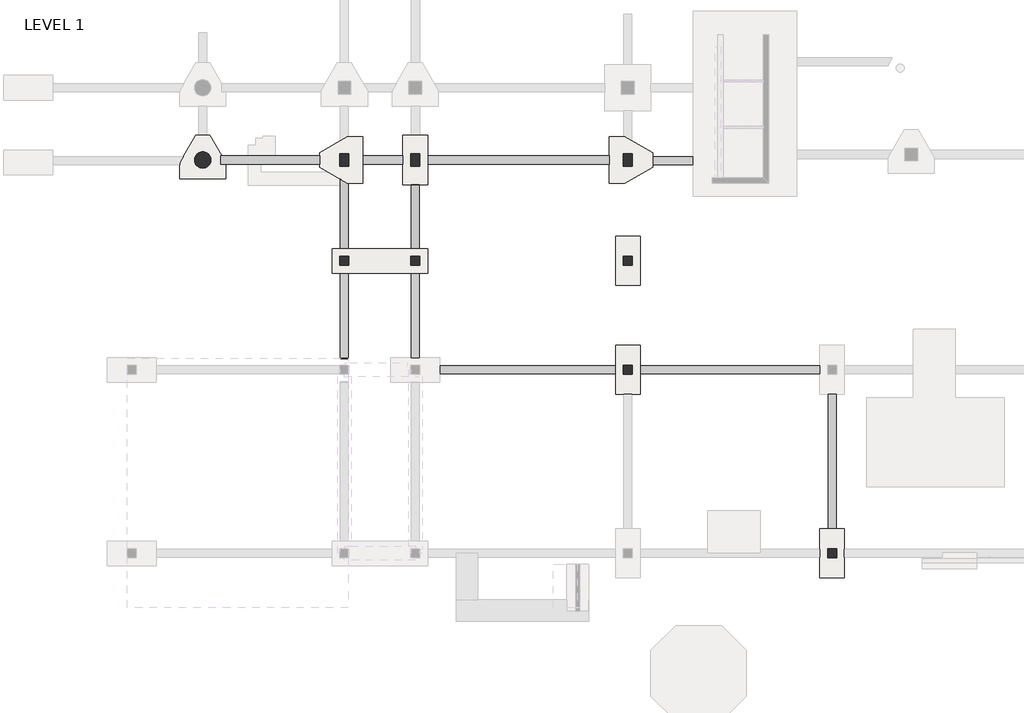
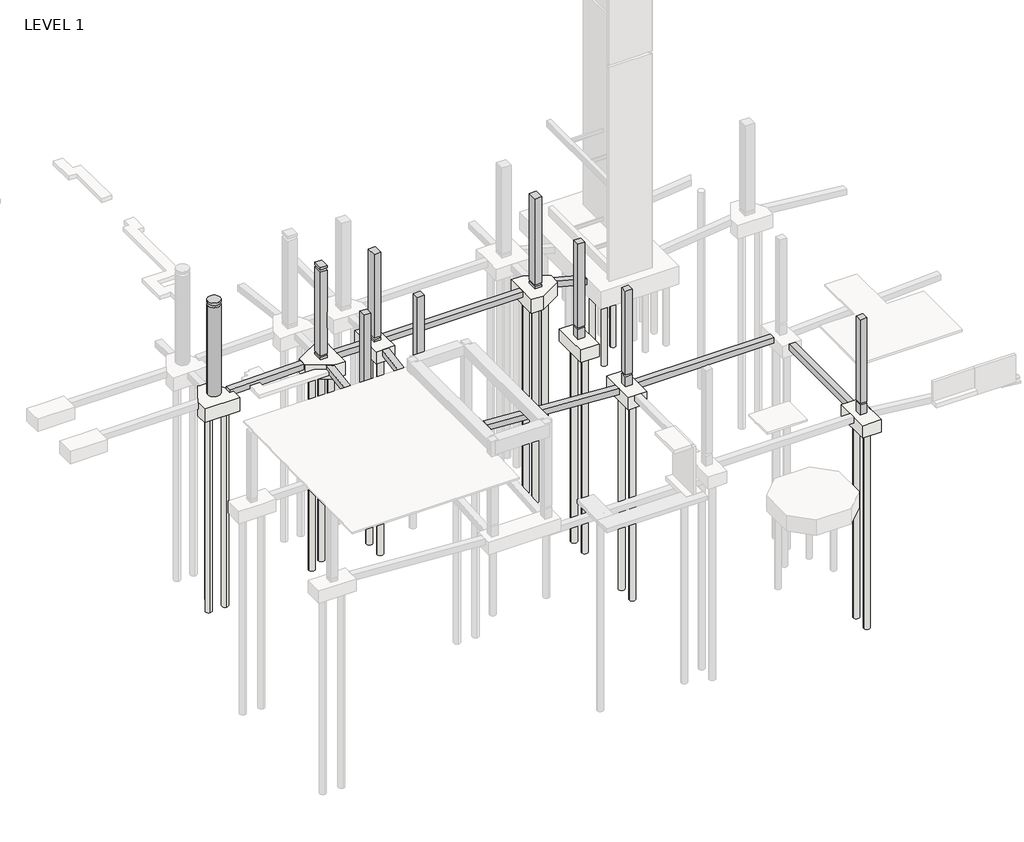
# One storey, part 6 of 20: 31 slabs, 11 beams, 9 columns.
"""IFC4 building model written with IfcOpenShell, lengths in millimetres."""

from ifc_helpers import new_model, si_unit, point, frame, frame_2d, origin, origin_with_axes, place, context, project, spatial, polyline, circle_curve, trimmed, segment, composite_curve, outline, extrude, faceted_brep, element, save
from ifc_brep_helpers import plane_surface, revolved_surface, advanced_brep

model = new_model("IFC4")

# Units and contexts
model_context = context("Model", 3, world=origin())
ifc_project = project(units=[si_unit("LENGTHUNIT", "METRE", prefix="MILLI")], contexts=[model_context])

# Site, building, storey
site = spatial("IfcSite", under=ifc_project)
building = spatial("IfcBuilding", under=site)
storey = spatial("IfcBuildingStorey", under=building, Name="LEVEL 1", Elevation=0.0)

# Beams
placement = place(None, origin())
element("IfcBeam", 1, ObjectType="Concrete-Rectangular Beam", at=placement, inside=storey, context=model_context, shape_type="SweptSolid", body=[
    extrude(outline(polyline([(-305.2858019, 14208.6389942), (-763.3812536, 14208.6389942), (-1378.8984508, 24038.4389942), (-920.8029991, 24038.4389942), (-305.2858019, 14208.6389942)])), frame((0.0, -45445.9107149, 0.0), z_axis=(0.0, 1.0, 0.0), x_axis=(0.0, 0.0, 1.0)), (0.0, 0.0, 1.0), 457.2),
])
element("IfcBeam", 2, ObjectType="Concrete-Rectangular Beam", at=placement, inside=storey, context=model_context, shape_type="SweptSolid", body=[
    extrude(outline(polyline([(25410.0389942, -45445.9107149), (25410.0389942, -44988.7107149), (35468.4389942, -44988.7107149), (35468.4389942, -45445.9107149), (25410.0389942, -45445.9107149)])), frame((0.0, 0.0, -1371.6), z_axis=(0.0, 0.0, 1.0), x_axis=(1.0, 0.0, 0.0)), (0.0, 0.0, 1.0), 457.2),
])
element("IfcBeam", 3, ObjectType="Concrete-Rectangular Beam", at=placement, inside=storey, context=model_context, shape_type="SweptSolid", body=[
    extrude(outline(polyline([(36382.8389942, -54107.3107149), (35925.6389942, -54107.3107149), (35925.6389942, -46588.9107149), (36382.8389942, -46588.9107149), (36382.8389942, -54107.3107149)])), frame((0.0, 0.0, -1371.6), z_axis=(0.0, 0.0, 1.0), x_axis=(1.0, 0.0, 0.0)), (0.0, 0.0, 1.0), 457.2),
])
element("IfcBeam", 4, ObjectType="Concrete-Rectangular Beam", at=placement, inside=storey, context=model_context, shape_type="Brep", body=[
    faceted_brep([(1966.7711827, -33711.1107149, -419.1), (1966.7711827, -33253.9107149, -419.1), (1970.7041843, -33253.9107149, -609.6), (1970.7041843, -33711.1107149, -609.6), (7483.9889942, -33711.1107149, -305.1933002), (7483.9889942, -33253.9107149, -305.1933002), (2245.2389942, -33711.1107149, -609.6), (2245.2389942, -33711.1107149, -870.6482724), (3489.8389942, -33711.1107149, -844.9526621), (3489.8389942, -33711.1107149, -609.6), (4201.0389942, -33711.1107149, -609.6), (4201.0389942, -33711.1107149, -830.2694562), (7483.9889942, -33711.1107149, -762.4907292), (7483.9889942, -33253.9107149, -762.4907292), (4201.0389942, -33368.1810305, -830.2694562), (5013.8389942, -33368.1810305, -813.4886495), (5013.8389942, -33253.9107149, -813.4886495), (5013.8389942, -33253.9107149, -609.6), (3489.8389942, -33253.9107149, -609.6), (3489.8389942, -33253.9107149, -844.9526621), (2016.0620522, -33253.9107149, -875.3797856), (2016.0620522, -33253.9107149, -609.6), (2245.2389942, -33651.3894738, -609.6), (2245.2389942, -33651.3894738, -870.6482724), (5013.8389942, -33368.1810305, -609.6), (4201.0389942, -33368.1810305, -609.6)], [[[0, 1, 2, 3]], [[1, 0, 4, 5]], [[6, 7, 8, 9, 10, 11, 12, 4, 0, 3]], [[13, 12, 11, 14, 15, 16]], [[5, 13, 16, 17, 18, 19, 20, 21, 2, 1]], [[21, 22, 6, 3, 2]], [[22, 23, 7, 6]], [[23, 22, 21, 20]], [[24, 25, 10, 9, 18, 17]], [[18, 9, 8, 19]], [[10, 25, 14, 11]], [[5, 4, 12, 13]], [[7, 23, 20, 19, 8]], [[24, 17, 16, 15]], [[25, 24, 15, 14]]]),
])
element("IfcBeam", 5, ObjectType="Concrete-Rectangular Beam", at=placement, inside=storey, context=model_context, shape_type="SweptSolid", body=[
    extrude(outline(polyline([(12151.2389942, -33253.9107149), (12151.2389942, -33711.1107149), (9912.8639942, -33711.1107149), (9912.8639942, -33253.9107149), (12151.2389942, -33253.9107149)])), frame((0.0, 0.0, -762.0), z_axis=(0.0, 0.0, 1.0), x_axis=(1.0, 0.0, 0.0)), (0.0, 0.0, 1.0), 457.2),
])
element("IfcBeam", 6, ObjectType="Concrete-Rectangular Beam", at=placement, inside=storey, context=model_context, shape_type="SweptSolid", body=[
    extrude(outline(polyline([(-39807.1107149, -922.6621214), (-39807.1107149, -1383.7496331), (-44531.5107149, -766.3510408), (-44531.5107149, -305.2635291), (-39807.1107149, -922.6621214)])), frame((12608.4389942, 0.0, 0.0), z_axis=(1.0, 0.0, 0.0), x_axis=(0.0, 1.0, 0.0)), (0.0, 0.0, 1.0), 457.2),
])
element("IfcBeam", 7, ObjectType="Concrete-Rectangular Beam", at=placement, inside=storey, context=model_context, shape_type="Brep", body=[
    faceted_brep([(8646.0389942, -44533.2932991, -304.8), (8646.0389942, -44592.5378018, -758.1452646), (9103.2389942, -44592.5378018, -758.1452646), (9103.2389942, -44533.2932991, -304.8), (9103.2389942, -44531.5107149, -305.0329534), (9103.2389942, -39807.1107149, -922.4315457), (8646.0389942, -39807.1107149, -922.4315457), (8646.0389942, -44531.5107149, -305.0329534), (9103.2389942, -44531.5107149, -766.1204651), (9103.2389942, -39807.1107149, -1383.5190574), (8646.0389942, -44531.5107149, -766.1204651), (8646.0389942, -39807.1107149, -1383.5190574)], [[[0, 1, 2, 3]], [[0, 3, 4, 5, 6, 7]], [[3, 2, 8, 9, 5, 4]], [[2, 1, 10, 11, 9, 8]], [[1, 0, 7, 6, 11, 10]], [[6, 5, 9, 11]]]),
])
element("IfcBeam", 8, ObjectType="Concrete-Rectangular Beam", at=placement, inside=storey, context=model_context, shape_type="SweptSolid", body=[
    extrude(outline(polyline([(13522.8389942, -33711.1107149), (13522.8389942, -33253.9107149), (23686.0139942, -33253.9107149), (23686.0139942, -33711.1107149), (13522.8389942, -33711.1107149)])), frame((0.0, 0.0, -762.0), z_axis=(0.0, 0.0, 1.0), x_axis=(1.0, 0.0, 0.0)), (0.0, 0.0, 1.0), 457.2),
])
element("IfcBeam", 9, ObjectType="Concrete-Rectangular Beam", at=placement, inside=storey, context=model_context, shape_type="SweptSolid", body=[
    extrude(outline(polyline([(-308.8935641, 26114.8889942), (-782.3063616, 26114.8889942), (-1387.6924364, 28368.2208672), (-1337.003858, 28381.8389942), (-917.9383207, 28381.8389942), (-308.8935641, 26114.8889942)])), frame((0.0, -33754.6520275, 0.0), z_axis=(0.0, 1.0, 0.0), x_axis=(0.0, 0.0, 1.0)), (0.0, 0.0, 1.0), 457.2),
])
element("IfcBeam", 10, ObjectType="Concrete-Rectangular Beam", at=placement, inside=storey, context=model_context, shape_type="SweptSolid", body=[
    extrude(outline(polyline([(-34854.1107149, -337.992433), (-34854.1107149, -767.7222936), (-38435.5107149, -1383.2160567), (-38435.5107149, -919.313414), (-34859.8151142, -304.8), (-34854.1107149, -337.992433)])), frame((12608.4389942, 0.0, 0.0), z_axis=(1.0, 0.0, 0.0), x_axis=(0.0, 1.0, 0.0)), (0.0, 0.0, 1.0), 457.2),
])
element("IfcBeam", 11, ObjectType="Concrete-Rectangular Beam", at=placement, inside=storey, context=model_context, shape_type="Brep", body=[
    faceted_brep([(8646.0389942, -34548.7337729, -366.1329731), (8646.0389942, -34558.4708889, -304.8), (8662.9268047, -34558.4708889, -304.8), (9043.517753, -34777.9107149, -339.6378845), (8646.0389942, -38435.5107149, -920.3120891), (9103.2389942, -38435.5107149, -920.3120891), (9103.2389942, -34777.9107149, -339.6378845), (9103.2389942, -34777.9107149, -802.5637069), (9103.2389942, -38435.5107149, -1383.2379116), (8646.0389942, -34548.7337729, -766.1799748), (9043.517753, -34777.9107149, -802.5637069), (8646.0389942, -38435.5107149, -1383.2379116)], [[[0, 1, 2]], [[3, 2, 1, 4, 5, 6]], [[7, 6, 5, 8]], [[9, 10, 7, 8, 11]], [[0, 9, 11, 4, 1]], [[2, 3, 10, 9, 0]], [[3, 6, 7, 10]], [[5, 4, 11, 8]]]),
])

# Columns
element("IfcColumn", 12, ObjectType="UC Concrete-Rectangular-Column : 20 x 20", at=placement, inside=storey, context=model_context, shape_type="Brep", body=[
    faceted_brep([(36408.2389942, -55224.9107149, -914.4), (36408.2389942, -55732.9107149, -914.4), (35900.2389942, -55732.9107149, -914.4), (35900.2389942, -55224.9107149, -914.4), (36408.2389942, -55732.9107149, -127.0), (36408.2389942, -55224.9107149, -127.0), (35900.2389942, -55224.9107149, -127.0), (35900.2389942, -55732.9107149, -127.0)], [[[0, 1, 2, 3]], [[4, 5, 6, 7]], [[1, 0, 5, 4]], [[2, 1, 4, 7]], [[3, 2, 7, 6]], [[0, 3, 6, 5]]]),
    faceted_brep([(36408.2389942, -55224.9107149, 6553.2), (36408.2389942, -55478.9107149, 6553.2), (36408.2389942, -55732.9107149, 6553.2), (36408.2389942, -55732.9107149, 5181.6), (36408.2389942, -55732.9107149, 0.0), (36408.2389942, -55224.9107149, 0.0), (36408.2389942, -55224.9107149, 5181.6), (36408.2389942, -55224.9107149, 5537.2), (35900.2389942, -55732.9107149, 6553.2), (35900.2389942, -55732.9107149, 5181.6), (35900.2389942, -55732.9107149, 0.0), (35900.2389942, -55478.9107149, 6553.2), (35900.2389942, -55224.9107149, 6553.2), (35900.2389942, -55224.9107149, 5537.2), (35900.2389942, -55224.9107149, 5181.6), (35900.2389942, -55224.9107149, 0.0)], [[[0, 1, 2, 3, 4, 5, 6, 7]], [[2, 8, 9, 10, 4, 3]], [[8, 11, 12, 13, 14, 15, 10, 9]], [[12, 0, 7, 6, 5, 15, 14, 13]], [[2, 1, 0, 12, 11, 8]], [[5, 4, 10, 15]]]),
])
element("IfcColumn", 13, ObjectType="UC Concrete-Rectangular-Column : 20 x 20", at=placement, inside=storey, context=model_context, shape_type="Brep", body=[
    faceted_brep([(9128.6389942, -38867.3107149, -914.4), (9128.6389942, -39375.3107149, -914.4), (8620.6389942, -39375.3107149, -914.4), (8620.6389942, -38867.3107149, -914.4), (9128.6389942, -39375.3107149, -127.0), (9128.6389942, -38867.3107149, -127.0), (8620.6389942, -38867.3107149, -127.0), (8620.6389942, -39375.3107149, -127.0)], [[[0, 1, 2, 3]], [[4, 5, 6, 7]], [[1, 0, 5, 4]], [[2, 1, 4, 7]], [[3, 2, 7, 6]], [[0, 3, 6, 5]]]),
    faceted_brep([(9128.6389942, -38867.3107149, 6553.2), (9128.6389942, -39375.3107149, 6553.2), (9128.6389942, -39375.3107149, 0.0), (9128.6389942, -38867.3107149, 0.0), (8874.6389942, -39375.3107149, 6553.2), (8620.6389942, -39375.3107149, 6553.2), (8620.6389942, -39375.3107149, 6146.8), (8620.6389942, -39375.3107149, 0.0), (8620.6389942, -39121.3107149, 6553.2), (8620.6389942, -38867.3107149, 6553.2), (8620.6389942, -38867.3107149, 0.0)], [[[0, 1, 2, 3]], [[1, 4, 5, 6, 7, 2]], [[5, 8, 9, 10, 7, 6]], [[9, 0, 3, 10]], [[1, 0, 9, 8, 5, 4]], [[3, 2, 7, 10]]]),
])
element("IfcColumn", 14, ObjectType="UC Concrete-Rectangular-Column : 20 x 20", at=placement, inside=storey, context=model_context, shape_type="SweptSolid", body=[
    extrude(outline(polyline([(13091.0389942, -38867.3107149), (13091.0389942, -39375.3107149), (12583.0389942, -39375.3107149), (12583.0389942, -38867.3107149), (13091.0389942, -38867.3107149)])), frame((0.0, 0.0, -914.4), z_axis=(0.0, 0.0, 1.0), x_axis=(1.0, 0.0, 0.0)), (0.0, 0.0, 1.0), 787.4),
    extrude(outline(polyline([(13091.0389942, -38867.3107149), (13091.0389942, -39375.3107149), (12583.0389942, -39375.3107149), (12583.0389942, -38867.3107149), (13091.0389942, -38867.3107149)])), origin_with_axes(), (0.0, 0.0, 1.0), 6553.2),
])
element("IfcColumn", 15, ObjectType="UC Concrete-Rectangular-Column : 20 x 20", at=placement, inside=storey, context=model_context, shape_type="Brep", body=[
    faceted_brep([(24978.2389942, -44963.3107149, -914.4), (24978.2389942, -45471.3107149, -914.4), (24470.2389942, -45471.3107149, -914.4), (24470.2389942, -44963.3107149, -914.4), (24978.2389942, -45471.3107149, -127.0), (24978.2389942, -44963.3107149, -127.0), (24470.2389942, -44963.3107149, -127.0), (24470.2389942, -45471.3107149, -127.0)], [[[0, 1, 2, 3]], [[4, 5, 6, 7]], [[1, 0, 5, 4]], [[2, 1, 4, 7]], [[3, 2, 7, 6]], [[0, 3, 6, 5]]]),
    faceted_brep([(24978.2389942, -44963.3107149, 6553.2), (24978.2389942, -45217.3107149, 6553.2), (24978.2389942, -45471.3107149, 6553.2), (24978.2389942, -45471.3107149, 5842.0), (24978.2389942, -45471.3107149, 0.0), (24978.2389942, -44963.3107149, 0.0), (24724.2389942, -45471.3107149, 6553.2), (24470.2389942, -45471.3107149, 6553.2), (24470.2389942, -45471.3107149, 0.0), (24470.2389942, -44963.3107149, 6553.2), (24470.2389942, -44963.3107149, 0.0)], [[[0, 1, 2, 3, 4, 5]], [[2, 6, 7, 8, 4, 3]], [[7, 9, 10, 8]], [[9, 0, 5, 10]], [[2, 1, 0, 9, 7, 6]], [[5, 4, 8, 10]]]),
])
element("IfcColumn", 16, ObjectType="UC Concrete-Rectangular-Column : 20 x 20", at=placement, inside=storey, context=model_context, shape_type="SweptSolid", body=[
    extrude(outline(polyline([(24978.2389942, -38867.3107149), (24978.2389942, -39375.3107149), (24470.2389942, -39375.3107149), (24470.2389942, -38867.3107149), (24978.2389942, -38867.3107149)])), frame((0.0, 0.0, -914.4), z_axis=(0.0, 0.0, 1.0), x_axis=(1.0, 0.0, 0.0)), (0.0, 0.0, 1.0), 787.4),
    extrude(outline(polyline([(24978.2389942, -38867.3107149), (24978.2389942, -39375.3107149), (24470.2389942, -39375.3107149), (24470.2389942, -38867.3107149), (24978.2389942, -38867.3107149)])), origin_with_axes(), (0.0, 0.0, 1.0), 6553.2),
])
element("IfcColumn", 17, ObjectType="UC Concrete-Rectangular-Column : 20 x 28", at=placement, inside=storey, context=model_context, shape_type="Brep", body=[
    faceted_brep([(9128.6389942, -33126.9107149, -304.8), (9128.6389942, -33838.1107149, -304.8), (8620.6389942, -33838.1107149, -304.8), (8620.6389942, -33126.9107149, -304.8), (9128.6389942, -33838.1107149, -127.0), (9128.6389942, -33126.9107149, -127.0), (8620.6389942, -33126.9107149, -127.0), (8620.6389942, -33838.1107149, -127.0)], [[[0, 1, 2, 3]], [[4, 5, 6, 7]], [[1, 0, 5, 4]], [[2, 1, 4, 7]], [[3, 2, 7, 6]], [[0, 3, 6, 5]]]),
    faceted_brep([(9128.6389942, -33126.9107149, 6908.8), (9128.6389942, -33838.1107149, 6908.8), (9128.6389942, -33838.1107149, 6731.0), (9128.6389942, -33126.9107149, 6731.0), (8620.6389942, -33838.1107149, 6908.8), (8620.6389942, -33838.1107149, 6731.0), (8620.6389942, -33126.9107149, 6908.8), (8620.6389942, -33126.9107149, 6731.0)], [[[0, 1, 2, 3]], [[1, 4, 5, 2]], [[4, 6, 7, 5]], [[6, 0, 3, 7]], [[1, 0, 6, 4]], [[3, 2, 5, 7]]]),
    faceted_brep([(9128.6389942, -33126.9107149, 0.0), (9128.6389942, -33838.1107149, 0.0), (8620.6389942, -33838.1107149, 0.0), (8620.6389942, -33126.9107149, 0.0), (9128.6389942, -33838.1107149, 6553.2), (9128.6389942, -33126.9107149, 6553.2), (8620.6389942, -33126.9107149, 6553.2), (8620.6389942, -33838.1107149, 6553.2), (9128.6389942, -33126.9107149, 5994.4), (9128.6389942, -33838.1107149, 5994.4), (8620.6389942, -33838.1107149, 5994.4), (8620.6389942, -33126.9107149, 5994.4)], [[[0, 1, 2, 3]], [[4, 5, 6, 7]], [[1, 0, 8, 5, 4, 9]], [[2, 1, 9, 4, 7, 10]], [[3, 2, 10, 7, 6, 11]], [[0, 3, 11, 6, 5, 8]]]),
])
element("IfcColumn", 18, ObjectType="UC Concrete-Rectangular-Column : 20 x 28", at=placement, inside=storey, context=model_context, shape_type="Brep", body=[
    faceted_brep([(13091.0389942, -33126.9107149, -304.8), (13091.0389942, -33838.1107149, -304.8), (12583.0389942, -33838.1107149, -304.8), (12583.0389942, -33126.9107149, -304.8), (13091.0389942, -33838.1107149, -127.0), (13091.0389942, -33126.9107149, -127.0), (12583.0389942, -33126.9107149, -127.0), (12583.0389942, -33838.1107149, -127.0)], [[[0, 1, 2, 3]], [[4, 5, 6, 7]], [[1, 0, 5, 4]], [[2, 1, 4, 7]], [[3, 2, 7, 6]], [[0, 3, 6, 5]]]),
    faceted_brep([(13091.0389942, -33838.1107149, 0.0), (13091.0389942, -33126.9107149, 0.0), (13091.0389942, -33126.9107149, 5080.0), (13091.0389942, -33126.9107149, 6553.2), (13091.0389942, -33838.1107149, 6553.2), (13091.0389942, -33838.1107149, 5080.0), (12583.0389942, -33838.1107149, 0.0), (12583.0389942, -33838.1107149, 6553.2), (12583.0389942, -33838.1107149, 5080.0), (12583.0389942, -33126.9107149, 0.0), (12583.0389942, -33126.9107149, 6553.2), (12583.0389942, -33126.9107149, 5080.0)], [[[0, 1, 2, 3, 4, 5]], [[6, 0, 5, 4, 7, 8]], [[9, 6, 8, 7, 10, 11]], [[1, 9, 11, 10, 3, 2]], [[1, 0, 6, 9]], [[4, 3, 10, 7]]]),
])
element("IfcColumn", 19, ObjectType="UC Concrete-Rectangular-Column : 20 x 28", at=placement, inside=storey, context=model_context, shape_type="Brep", body=[
    faceted_brep([(24978.2389942, -33126.9107149, -304.8), (24978.2389942, -33838.1107149, -304.8), (24470.2389942, -33838.1107149, -304.8), (24470.2389942, -33126.9107149, -304.8), (24978.2389942, -33838.1107149, -127.0), (24978.2389942, -33126.9107149, -127.0), (24470.2389942, -33126.9107149, -127.0), (24470.2389942, -33838.1107149, -127.0)], [[[0, 1, 2, 3]], [[4, 5, 6, 7]], [[1, 0, 5, 4]], [[2, 1, 4, 7]], [[3, 2, 7, 6]], [[0, 3, 6, 5]]]),
    faceted_brep([(24978.2389942, -33126.9107149, 6731.0), (24978.2389942, -33838.1107149, 6731.0), (24978.2389942, -33838.1107149, 5080.0), (24978.2389942, -33838.1107149, 0.0), (24978.2389942, -33126.9107149, 0.0), (24978.2389942, -33126.9107149, 5080.0), (24470.2389942, -33838.1107149, 6731.0), (24470.2389942, -33838.1107149, 5080.0), (24470.2389942, -33838.1107149, 0.0), (24470.2389942, -33126.9107149, 6731.0), (24470.2389942, -33126.9107149, 5080.0), (24470.2389942, -33126.9107149, 0.0)], [[[0, 1, 2, 3, 4, 5]], [[1, 6, 7, 8, 3, 2]], [[6, 9, 10, 11, 8, 7]], [[9, 0, 5, 4, 11, 10]], [[1, 0, 9, 6]], [[4, 3, 8, 11]]]),
])
element("IfcColumn", 20, ObjectType="UC Concrete-Round-Column : 36\" DIA.", at=placement, inside=storey, context=model_context, shape_type="SweptSolid", body=[
    extrude(outline(composite_curve([segment(trimmed(circle_curve(frame_2d((949.8389942, -33482.5107149)), 457.2), [point((1407.0389942, -33482.5107149))], [point((492.6389942, -33482.5107149))], False, "CARTESIAN"), True, "CONTINUOUS"), segment(trimmed(circle_curve(frame_2d((949.8389942, -33482.5107149)), 457.2), [point((492.6389942, -33482.5107149))], [point((1407.0389942, -33482.5107149))], False, "CARTESIAN"), True, "CONTINUOUS")], self_intersect=False)), frame((0.0, 0.0, -406.4), z_axis=(0.0, 0.0, 1.0), x_axis=(1.0, 0.0, 0.0)), (0.0, 0.0, 1.0), 6959.6),
    extrude(outline(composite_curve([segment(trimmed(circle_curve(frame_2d((949.8389942, -33482.5107149)), 457.2), [point((1407.0389942, -33482.5107149))], [point((492.6389942, -33482.5107149))], False, "CARTESIAN"), True, "CONTINUOUS"), segment(trimmed(circle_curve(frame_2d((949.8389942, -33482.5107149)), 457.2), [point((492.6389942, -33482.5107149))], [point((1407.0389942, -33482.5107149))], False, "CARTESIAN"), True, "CONTINUOUS")], self_intersect=False)), frame((0.0, 0.0, 6731.0), z_axis=(0.0, 0.0, 1.0), x_axis=(1.0, 0.0, 0.0)), (0.0, 0.0, 1.0), 177.8),
])

# Slabs
element("IfcSlab", 21, ObjectType="16\" Diameter", at=placement, inside=storey, context=model_context, shape_type="SweptSolid", body=[
    extrude(outline(composite_curve([segment(trimmed(circle_curve(frame_2d((28991.4389942, -33382.4982149)), 203.2), [point((28788.2389942, -33382.4982149))], [point((29194.6389942, -33382.4982149))], False, "CARTESIAN"), True, "CONTINUOUS"), segment(trimmed(circle_curve(frame_2d((28991.4389942, -33382.4982149)), 203.2), [point((29194.6389942, -33382.4982149))], [point((28788.2389942, -33382.4982149))], False, "CARTESIAN"), True, "CONTINUOUS")], self_intersect=False)), frame((0.0, 0.0, -7162.8), z_axis=(0.0, 0.0, 1.0), x_axis=(1.0, 0.0, 0.0)), (0.0, 0.0, 1.0), 4876.8),
])
element("IfcSlab", 22, ObjectType="16\" Diameter", at=placement, inside=storey, context=model_context, shape_type="SweptSolid", body=[
    extrude(outline(composite_curve([segment(trimmed(circle_curve(frame_2d((30515.4389942, -33382.4982149)), 203.2), [point((30312.2389942, -33382.4982149))], [point((30718.6389942, -33382.4982149))], False, "CARTESIAN"), True, "CONTINUOUS"), segment(trimmed(circle_curve(frame_2d((30515.4389942, -33382.4982149)), 203.2), [point((30718.6389942, -33382.4982149))], [point((30312.2389942, -33382.4982149))], False, "CARTESIAN"), True, "CONTINUOUS")], self_intersect=False)), frame((0.0, 0.0, -7162.8), z_axis=(0.0, 0.0, 1.0), x_axis=(1.0, 0.0, 0.0)), (0.0, 0.0, 1.0), 4876.8),
])
element("IfcSlab", 23, ObjectType="16\" Diameter", at=placement, inside=storey, context=model_context, shape_type="SweptSolid", body=[
    extrude(outline(composite_curve([segment(trimmed(circle_curve(frame_2d((28991.4389942, -34906.4982149)), 203.2), [point((28788.2389942, -34906.4982149))], [point((29194.6389942, -34906.4982149))], False, "CARTESIAN"), True, "CONTINUOUS"), segment(trimmed(circle_curve(frame_2d((28991.4389942, -34906.4982149)), 203.2), [point((29194.6389942, -34906.4982149))], [point((28788.2389942, -34906.4982149))], False, "CARTESIAN"), True, "CONTINUOUS")], self_intersect=False)), frame((0.0, 0.0, -7162.8), z_axis=(0.0, 0.0, 1.0), x_axis=(1.0, 0.0, 0.0)), (0.0, 0.0, 1.0), 4876.8),
])
element("IfcSlab", 24, ObjectType="16\" Diameter", at=placement, inside=storey, context=model_context, shape_type="SweptSolid", body=[
    extrude(outline(composite_curve([segment(trimmed(circle_curve(frame_2d((30515.4389942, -34906.4982149)), 203.2), [point((30312.2389942, -34906.4982149))], [point((30718.6389942, -34906.4982149))], False, "CARTESIAN"), True, "CONTINUOUS"), segment(trimmed(circle_curve(frame_2d((30515.4389942, -34906.4982149)), 203.2), [point((30718.6389942, -34906.4982149))], [point((30312.2389942, -34906.4982149))], False, "CARTESIAN"), True, "CONTINUOUS")], self_intersect=False)), frame((0.0, 0.0, -7162.8), z_axis=(0.0, 0.0, 1.0), x_axis=(1.0, 0.0, 0.0)), (0.0, 0.0, 1.0), 4876.8),
])
element("IfcSlab", 25, ObjectType="18\" Diameter", at=placement, inside=storey, context=model_context, shape_type="SweptSolid", body=[
    extrude(outline(composite_curve([segment(trimmed(circle_curve(frame_2d((36154.2389942, -54793.1107149)), 228.6), [point((36382.8389942, -54793.1107149))], [point((35925.6389942, -54793.1107149))], False, "CARTESIAN"), True, "CONTINUOUS"), segment(trimmed(circle_curve(frame_2d((36154.2389942, -54793.1107149)), 228.6), [point((35925.6389942, -54793.1107149))], [point((36382.8389942, -54793.1107149))], False, "CARTESIAN"), True, "CONTINUOUS")], self_intersect=False)), frame((0.0, 0.0, -17348.2), z_axis=(0.0, 0.0, 1.0), x_axis=(1.0, 0.0, 0.0)), (0.0, 0.0, 1.0), 15392.4),
])
element("IfcSlab", 26, ObjectType="18\" Diameter", at=placement, inside=storey, context=model_context, shape_type="SweptSolid", body=[
    extrude(outline(composite_curve([segment(trimmed(circle_curve(frame_2d((36154.2389942, -56164.7107149)), 228.6), [point((36382.8389942, -56164.7107149))], [point((35925.6389942, -56164.7107149))], False, "CARTESIAN"), True, "CONTINUOUS"), segment(trimmed(circle_curve(frame_2d((36154.2389942, -56164.7107149)), 228.6), [point((35925.6389942, -56164.7107149))], [point((36382.8389942, -56164.7107149))], False, "CARTESIAN"), True, "CONTINUOUS")], self_intersect=False)), frame((0.0, 0.0, -17348.2), z_axis=(0.0, 0.0, 1.0), x_axis=(1.0, 0.0, 0.0)), (0.0, 0.0, 1.0), 15392.4),
])
element("IfcSlab", 27, ObjectType="18\" Diameter", at=placement, inside=storey, context=model_context, shape_type="SweptSolid", body=[
    extrude(outline(composite_curve([segment(trimmed(circle_curve(frame_2d((12837.0389942, -39121.3107149)), 228.6), [point((12837.0389942, -39349.9107149))], [point((12837.0389942, -38892.7107149))], False, "CARTESIAN"), True, "CONTINUOUS"), segment(trimmed(circle_curve(frame_2d((12837.0389942, -39121.3107149)), 228.6), [point((12837.0389942, -38892.7107149))], [point((12837.0389942, -39349.9107149))], False, "CARTESIAN"), True, "CONTINUOUS")], self_intersect=False)), frame((0.0, 0.0, -7162.8), z_axis=(0.0, 0.0, 1.0), x_axis=(1.0, 0.0, 0.0)), (0.0, 0.0, 1.0), 6248.4),
])
element("IfcSlab", 28, ObjectType="18\" Diameter", at=placement, inside=storey, context=model_context, shape_type="SweptSolid", body=[
    extrude(outline(composite_curve([segment(trimmed(circle_curve(frame_2d((24724.2389942, -44531.5107149)), 228.6), [point((24952.8389942, -44531.5107149))], [point((24495.6389942, -44531.5107149))], False, "CARTESIAN"), True, "CONTINUOUS"), segment(trimmed(circle_curve(frame_2d((24724.2389942, -44531.5107149)), 228.6), [point((24495.6389942, -44531.5107149))], [point((24952.8389942, -44531.5107149))], False, "CARTESIAN"), True, "CONTINUOUS")], self_intersect=False)), frame((0.0, 0.0, -17348.2), z_axis=(0.0, 0.0, 1.0), x_axis=(1.0, 0.0, 0.0)), (0.0, 0.0, 1.0), 15392.4),
])
element("IfcSlab", 29, ObjectType="18\" Diameter", at=placement, inside=storey, context=model_context, shape_type="SweptSolid", body=[
    extrude(outline(composite_curve([segment(trimmed(circle_curve(frame_2d((24724.2389942, -45903.1107149)), 228.6), [point((24952.8389942, -45903.1107149))], [point((24495.6389942, -45903.1107149))], False, "CARTESIAN"), True, "CONTINUOUS"), segment(trimmed(circle_curve(frame_2d((24724.2389942, -45903.1107149)), 228.6), [point((24495.6389942, -45903.1107149))], [point((24952.8389942, -45903.1107149))], False, "CARTESIAN"), True, "CONTINUOUS")], self_intersect=False)), frame((0.0, 0.0, -17348.2), z_axis=(0.0, 0.0, 1.0), x_axis=(1.0, 0.0, 0.0)), (0.0, 0.0, 1.0), 15392.4),
])
element("IfcSlab", 30, ObjectType="18\" Diameter", at=placement, inside=storey, context=model_context, shape_type="SweptSolid", body=[
    extrude(outline(composite_curve([segment(trimmed(circle_curve(frame_2d((1559.4389942, -33834.9357149)), 228.6), [point((1559.4389942, -34063.5357149))], [point((1559.4389942, -33606.3357149))], False, "CARTESIAN"), True, "CONTINUOUS"), segment(trimmed(circle_curve(frame_2d((1559.4389942, -33834.9357149)), 228.6), [point((1559.4389942, -33606.3357149))], [point((1559.4389942, -34063.5357149))], False, "CARTESIAN"), True, "CONTINUOUS")], self_intersect=False)), frame((0.0, 0.0, -17043.4), z_axis=(0.0, 0.0, 1.0), x_axis=(1.0, 0.0, 0.0)), (0.0, 0.0, 1.0), 15367.0),
])
element("IfcSlab", 31, ObjectType="18\" Diameter", at=placement, inside=storey, context=model_context, shape_type="SweptSolid", body=[
    extrude(outline(composite_curve([segment(trimmed(circle_curve(frame_2d((340.2389942, -33834.9357149)), 228.6), [point((340.2389942, -34063.5357149))], [point((340.2389942, -33606.3357149))], False, "CARTESIAN"), True, "CONTINUOUS"), segment(trimmed(circle_curve(frame_2d((340.2389942, -33834.9357149)), 228.6), [point((340.2389942, -33606.3357149))], [point((340.2389942, -34063.5357149))], False, "CARTESIAN"), True, "CONTINUOUS")], self_intersect=False)), frame((0.0, 0.0, -17043.4), z_axis=(0.0, 0.0, 1.0), x_axis=(1.0, 0.0, 0.0)), (0.0, 0.0, 1.0), 15367.0),
])
element("IfcSlab", 32, ObjectType="18\" Diameter", at=placement, inside=storey, context=model_context, shape_type="SweptSolid", body=[
    extrude(outline(composite_curve([segment(trimmed(circle_curve(frame_2d((12837.0389942, -32796.7107149)), 228.6), [point((13065.6389942, -32796.7107149))], [point((12608.4389942, -32796.7107149))], False, "CARTESIAN"), True, "CONTINUOUS"), segment(trimmed(circle_curve(frame_2d((12837.0389942, -32796.7107149)), 228.6), [point((12608.4389942, -32796.7107149))], [point((13065.6389942, -32796.7107149))], False, "CARTESIAN"), True, "CONTINUOUS")], self_intersect=False)), frame((0.0, 0.0, -16738.6), z_axis=(0.0, 0.0, 1.0), x_axis=(1.0, 0.0, 0.0)), (0.0, 0.0, 1.0), 15392.4),
])
element("IfcSlab", 33, ObjectType="18\" Diameter", at=placement, inside=storey, context=model_context, shape_type="SweptSolid", body=[
    extrude(outline(composite_curve([segment(trimmed(circle_curve(frame_2d((12837.0389942, -34168.3107149)), 228.6), [point((13065.6389942, -34168.3107149))], [point((12608.4389942, -34168.3107149))], False, "CARTESIAN"), True, "CONTINUOUS"), segment(trimmed(circle_curve(frame_2d((12837.0389942, -34168.3107149)), 228.6), [point((12608.4389942, -34168.3107149))], [point((13065.6389942, -34168.3107149))], False, "CARTESIAN"), True, "CONTINUOUS")], self_intersect=False)), frame((0.0, 0.0, -16738.6), z_axis=(0.0, 0.0, 1.0), x_axis=(1.0, 0.0, 0.0)), (0.0, 0.0, 1.0), 15392.4),
])
element("IfcSlab", 34, ObjectType="18\" Diameter", at=placement, inside=storey, context=model_context, shape_type="SweptSolid", body=[
    extrude(outline(composite_curve([segment(trimmed(circle_curve(frame_2d((25429.0889942, -33482.5107149)), 228.6), [point((25200.4889942, -33482.5107149))], [point((25657.6889942, -33482.5107149))], False, "CARTESIAN"), True, "CONTINUOUS"), segment(trimmed(circle_curve(frame_2d((25429.0889942, -33482.5107149)), 228.6), [point((25657.6889942, -33482.5107149))], [point((25200.4889942, -33482.5107149))], False, "CARTESIAN"), True, "CONTINUOUS")], self_intersect=False)), frame((0.0, 0.0, -16738.6), z_axis=(0.0, 0.0, 1.0), x_axis=(1.0, 0.0, 0.0)), (0.0, 0.0, 1.0), 15367.0),
])
element("IfcSlab", 35, ObjectType="18\" Diameter", at=placement, inside=storey, context=model_context, shape_type="SweptSolid", body=[
    extrude(outline(composite_curve([segment(trimmed(circle_curve(frame_2d((8874.6389942, -39121.3107149)), 228.6), [point((8874.6389942, -39349.9107149))], [point((8874.6389942, -38892.7107149))], False, "CARTESIAN"), True, "CONTINUOUS"), segment(trimmed(circle_curve(frame_2d((8874.6389942, -39121.3107149)), 228.6), [point((8874.6389942, -38892.7107149))], [point((8874.6389942, -39349.9107149))], False, "CARTESIAN"), True, "CONTINUOUS")], self_intersect=False)), frame((0.0, 0.0, -7162.8), z_axis=(0.0, 0.0, 1.0), x_axis=(1.0, 0.0, 0.0)), (0.0, 0.0, 1.0), 6248.4),
])
element("IfcSlab", 36, ObjectType="18\" Diameter", at=placement, inside=storey, context=model_context, shape_type="SweptSolid", body=[
    extrude(outline(composite_curve([segment(trimmed(circle_curve(frame_2d((24724.2389942, -38435.5107149)), 228.6), [point((24952.8389942, -38435.5107149))], [point((24495.6389942, -38435.5107149))], False, "CARTESIAN"), True, "CONTINUOUS"), segment(trimmed(circle_curve(frame_2d((24724.2389942, -38435.5107149)), 228.6), [point((24495.6389942, -38435.5107149))], [point((24952.8389942, -38435.5107149))], False, "CARTESIAN"), True, "CONTINUOUS")], self_intersect=False)), frame((0.0, 0.0, -17348.2), z_axis=(0.0, 0.0, 1.0), x_axis=(1.0, 0.0, 0.0)), (0.0, 0.0, 1.0), 15392.4),
])
element("IfcSlab", 37, ObjectType="18\" Diameter", at=placement, inside=storey, context=model_context, shape_type="SweptSolid", body=[
    extrude(outline(composite_curve([segment(trimmed(circle_curve(frame_2d((24724.2389942, -39807.1107149)), 228.6), [point((24952.8389942, -39807.1107149))], [point((24495.6389942, -39807.1107149))], False, "CARTESIAN"), True, "CONTINUOUS"), segment(trimmed(circle_curve(frame_2d((24724.2389942, -39807.1107149)), 228.6), [point((24495.6389942, -39807.1107149))], [point((24952.8389942, -39807.1107149))], False, "CARTESIAN"), True, "CONTINUOUS")], self_intersect=False)), frame((0.0, 0.0, -17348.2), z_axis=(0.0, 0.0, 1.0), x_axis=(1.0, 0.0, 0.0)), (0.0, 0.0, 1.0), 15392.4),
])
element("IfcSlab", 38, ObjectType="18\" Diameter", at=placement, inside=storey, context=model_context, shape_type="SweptSolid", body=[
    extrude(outline(composite_curve([segment(trimmed(circle_curve(frame_2d((949.8389942, -32777.6607149)), 228.6), [point((949.8389942, -32549.0607149))], [point((949.8389942, -33006.2607149))], False, "CARTESIAN"), True, "CONTINUOUS"), segment(trimmed(circle_curve(frame_2d((949.8389942, -32777.6607149)), 228.6), [point((949.8389942, -33006.2607149))], [point((949.8389942, -32549.0607149))], False, "CARTESIAN"), True, "CONTINUOUS")], self_intersect=False)), frame((0.0, 0.0, -17043.4), z_axis=(0.0, 0.0, 1.0), x_axis=(1.0, 0.0, 0.0)), (0.0, 0.0, 1.0), 15367.0),
])
element("IfcSlab", 39, ObjectType="18\" Diameter", at=placement, inside=storey, context=model_context, shape_type="SweptSolid", body=[
    extrude(outline(composite_curve([segment(trimmed(circle_curve(frame_2d((8169.7889942, -33482.5107149)), 228.6), [point((8398.3889942, -33482.5107149))], [point((7941.1889942, -33482.5107149))], False, "CARTESIAN"), True, "CONTINUOUS"), segment(trimmed(circle_curve(frame_2d((8169.7889942, -33482.5107149)), 228.6), [point((7941.1889942, -33482.5107149))], [point((8398.3889942, -33482.5107149))], False, "CARTESIAN"), True, "CONTINUOUS")], self_intersect=False)), frame((0.0, 0.0, -16738.6), z_axis=(0.0, 0.0, 1.0), x_axis=(1.0, 0.0, 0.0)), (0.0, 0.0, 1.0), 15367.0),
])
element("IfcSlab", 40, ObjectType="18\" Diameter", at=placement, inside=storey, context=model_context, shape_type="SweptSolid", body=[
    extrude(outline(composite_curve([segment(trimmed(circle_curve(frame_2d((9227.0639942, -32872.9107149)), 228.6), [point((9455.6639942, -32872.9107149))], [point((8998.4639942, -32872.9107149))], False, "CARTESIAN"), True, "CONTINUOUS"), segment(trimmed(circle_curve(frame_2d((9227.0639942, -32872.9107149)), 228.6), [point((8998.4639942, -32872.9107149))], [point((9455.6639942, -32872.9107149))], False, "CARTESIAN"), True, "CONTINUOUS")], self_intersect=False)), frame((0.0, 0.0, -16738.6), z_axis=(0.0, 0.0, 1.0), x_axis=(1.0, 0.0, 0.0)), (0.0, 0.0, 1.0), 15367.0),
])
element("IfcSlab", 41, ObjectType="18\" Diameter", at=placement, inside=storey, context=model_context, shape_type="SweptSolid", body=[
    extrude(outline(composite_curve([segment(trimmed(circle_curve(frame_2d((9227.0639942, -34092.1107149)), 228.6), [point((9455.6639942, -34092.1107149))], [point((8998.4639942, -34092.1107149))], False, "CARTESIAN"), True, "CONTINUOUS"), segment(trimmed(circle_curve(frame_2d((9227.0639942, -34092.1107149)), 228.6), [point((8998.4639942, -34092.1107149))], [point((9455.6639942, -34092.1107149))], False, "CARTESIAN"), True, "CONTINUOUS")], self_intersect=False)), frame((0.0, 0.0, -16738.6), z_axis=(0.0, 0.0, 1.0), x_axis=(1.0, 0.0, 0.0)), (0.0, 0.0, 1.0), 15367.0),
])
element("IfcSlab", 42, ObjectType="18\" Diameter", at=placement, inside=storey, context=model_context, shape_type="SweptSolid", body=[
    extrude(outline(composite_curve([segment(trimmed(circle_curve(frame_2d((24371.8139942, -34092.1107149)), 228.6), [point((24143.2139942, -34092.1107149))], [point((24600.4139942, -34092.1107149))], False, "CARTESIAN"), True, "CONTINUOUS"), segment(trimmed(circle_curve(frame_2d((24371.8139942, -34092.1107149)), 228.6), [point((24600.4139942, -34092.1107149))], [point((24143.2139942, -34092.1107149))], False, "CARTESIAN"), True, "CONTINUOUS")], self_intersect=False)), frame((0.0, 0.0, -16738.6), z_axis=(0.0, 0.0, 1.0), x_axis=(1.0, 0.0, 0.0)), (0.0, 0.0, 1.0), 15367.0),
])
element("IfcSlab", 43, ObjectType="18\" Diameter", at=placement, inside=storey, context=model_context, shape_type="SweptSolid", body=[
    extrude(outline(composite_curve([segment(trimmed(circle_curve(frame_2d((24371.8139942, -32872.9107149)), 228.6), [point((24143.2139942, -32872.9107149))], [point((24600.4139942, -32872.9107149))], False, "CARTESIAN"), True, "CONTINUOUS"), segment(trimmed(circle_curve(frame_2d((24371.8139942, -32872.9107149)), 228.6), [point((24600.4139942, -32872.9107149))], [point((24143.2139942, -32872.9107149))], False, "CARTESIAN"), True, "CONTINUOUS")], self_intersect=False)), frame((0.0, 0.0, -16738.6), z_axis=(0.0, 0.0, 1.0), x_axis=(1.0, 0.0, 0.0)), (0.0, 0.0, 1.0), 15367.0),
])
element("IfcSlab", 44, ObjectType="Footing-Rectangular : 210\" x 54\" x 38\"", at=placement, inside=storey, context=model_context, shape_type="AdvancedBrep", body=[
    advanced_brep(
    [(8188.8389942, -38435.5107149, -914.4), (8188.8389942, -39807.1107149, -914.4), (13522.8389942, -39807.1107149, -914.4), (13522.8389942, -39349.9107149, -914.4), (13522.8389942, -38892.7107149, -914.4), (13522.8389942, -38435.5107149, -914.4), (12837.0389942, -38892.7107149, -914.4), (12837.0389942, -39349.9107149, -914.4), (8874.6389942, -38892.7107149, -914.4), (8874.6389942, -39349.9107149, -914.4), (8188.8389942, -38435.5107149, -1879.6), (13522.8389942, -38435.5107149, -1879.6), (13522.8389942, -39807.1107149, -1879.6), (8188.8389942, -39807.1107149, -1879.6), (12837.0389942, -39349.9107149, -1879.6), (12837.0389942, -38892.7107149, -1879.6), (8874.6389942, -39349.9107149, -1879.6), (8874.6389942, -38892.7107149, -1879.6)],
    [
        (0, 1),
        (1, 2),
        (2, 3),
        (3, 4),
        (4, 5),
        (5, 0),
        (6, 7, circle_curve(frame((12837.0389942, -39121.3107149, -914.4), z_axis=(0.0, 0.0, -1.0), x_axis=(0.0, 1.0, 0.0)), 228.6)),
        (7, 6, circle_curve(frame((12837.0389942, -39121.3107149, -914.4), z_axis=(0.0, 0.0, -1.0), x_axis=(0.0, 1.0, 0.0)), 228.6)),
        (8, 9, circle_curve(frame((8874.6389942, -39121.3107149, -914.4), z_axis=(0.0, 0.0, -1.0), x_axis=(0.0, 1.0, 0.0)), 228.6)),
        (9, 8, circle_curve(frame((8874.6389942, -39121.3107149, -914.4), z_axis=(0.0, 0.0, -1.0), x_axis=(0.0, 1.0, 0.0)), 228.6)),
        (10, 11),
        (11, 12),
        (12, 13),
        (13, 10),
        (14, 15, circle_curve(frame((12837.0389942, -39121.3107149, -1879.6), z_axis=(0.0, 0.0, 1.0), x_axis=(0.0, 1.0, 0.0)), 228.6)),
        (15, 14, circle_curve(frame((12837.0389942, -39121.3107149, -1879.6), z_axis=(0.0, 0.0, 1.0), x_axis=(0.0, 1.0, 0.0)), 228.6)),
        (16, 17, circle_curve(frame((8874.6389942, -39121.3107149, -1879.6), z_axis=(0.0, 0.0, 1.0), x_axis=(0.0, 1.0, 0.0)), 228.6)),
        (17, 16, circle_curve(frame((8874.6389942, -39121.3107149, -1879.6), z_axis=(0.0, 0.0, 1.0), x_axis=(0.0, 1.0, 0.0)), 228.6)),
        (0, 10),
        (13, 1),
        (12, 2),
        (11, 5),
        (14, 7),
        (6, 15),
        (16, 9),
        (8, 17),
    ],
    [
        plane_surface(frame((8188.8389942, -39807.1107149, -914.4), z_axis=(0.0, 0.0, 1.0), x_axis=(0.0, -1.0, 0.0))),
        plane_surface(frame((8188.8389942, -39807.1107149, -1879.6), z_axis=(0.0, 0.0, -1.0), x_axis=(0.0, 1.0, 0.0))),
        plane_surface(frame((8188.8389942, -38435.5107149, -914.4), z_axis=(-1.0, 0.0, 0.0), x_axis=(0.0, 0.0, -1.0))),
        plane_surface(frame((8188.8389942, -39807.1107149, -914.4), z_axis=(0.0, -1.0, 0.0), x_axis=(0.0, 0.0, -1.0))),
        plane_surface(frame((13522.8389942, -39807.1107149, -914.4), z_axis=(1.0, 0.0, 0.0), x_axis=(0.0, 0.0, -1.0))),
        plane_surface(frame((13522.8389942, -38435.5107149, -914.4), z_axis=(0.0, 1.0, 0.0), x_axis=(0.0, 0.0, -1.0))),
        revolved_surface(polyline([(12837.0389942, -38892.7107149, -914.3999999999996), (12837.0389942, -38892.7107149, -1879.5999999999995)]), (12837.0389942, -39121.3107149, -7162.8), (0.0, 0.0, 1.0)),
        revolved_surface(polyline([(8874.6389942, -38892.7107149, -914.3999999999996), (8874.6389942, -38892.7107149, -1879.5999999999995)]), (8874.6389942, -39121.3107149, -7162.8), (0.0, 0.0, 1.0)),
    ],
    [
        (0, [[1, 2, 3, 4, 5, 6], [7, 8], [9, 10]]),
        (1, [[11, 12, 13, 14], [15, 16], [17, 18]]),
        (2, [[-1, 19, -14, 20]]),
        (3, [[-2, -20, -13, 21]]),
        (4, [[-5, -4, -3, -21, -12, 22]]),
        (5, [[-6, -22, -11, -19]]),
        (6, [[23, -7, 24, -15]]),
        (6, [[-23, -16, -24, -8]]),
        (7, [[25, -9, 26, -17]]),
        (7, [[-25, -18, -26, -10]]),
    ],
),
])
element("IfcSlab", 45, ObjectType="UC Pile Cap-2 Pile : P2", at=placement, inside=storey, context=model_context, shape_type="Brep", body=[
    faceted_brep([(36840.0389942, -54107.3107149, -914.4), (36382.8389942, -54107.3107149, -914.4), (35925.6389942, -54107.3107149, -914.4), (35468.4389942, -54107.3107149, -914.4), (35468.4389942, -55250.3107149, -914.4), (35468.4389942, -55707.5107149, -914.4), (35468.4389942, -56850.5107149, -914.4), (36840.0389942, -56850.5107149, -914.4), (36840.0389942, -54107.3107149, -1879.6), (36840.0389942, -56850.5107149, -1879.6), (35468.4389942, -56850.5107149, -1879.6), (35468.4389942, -54107.3107149, -1879.6)], [[[0, 1, 2, 3, 4, 5, 6, 7]], [[8, 9, 10, 11]], [[3, 2, 1, 0, 8, 11]], [[6, 5, 4, 3, 11, 10]], [[7, 6, 10, 9]], [[0, 7, 9, 8]]]),
])
element("IfcSlab", 46, ObjectType="UC Pile Cap-2 Pile : P2", at=placement, inside=storey, context=model_context, shape_type="Brep", body=[
    faceted_brep([(25410.0389942, -43845.7107149, -914.4), (24038.4389942, -43845.7107149, -914.4), (24038.4389942, -46588.9107149, -914.4), (24495.6389942, -46588.9107149, -914.4), (24952.8389942, -46588.9107149, -914.4), (25410.0389942, -46588.9107149, -914.4), (25410.0389942, -45445.9107149, -914.4), (25410.0389942, -44988.7107149, -914.4), (25410.0389942, -43845.7107149, -1879.6), (25410.0389942, -46588.9107149, -1879.6), (24038.4389942, -46588.9107149, -1879.6), (24038.4389942, -43845.7107149, -1879.6)], [[[0, 1, 2, 3, 4, 5, 6, 7]], [[8, 9, 10, 11]], [[1, 0, 8, 11]], [[2, 1, 11, 10]], [[5, 4, 3, 2, 10, 9]], [[0, 7, 6, 5, 9, 8]]]),
])
element("IfcSlab", 47, ObjectType="UC Pile Cap-2 Pile : P2", at=placement, inside=storey, context=model_context, shape_type="Brep", body=[
    faceted_brep([(13522.8389942, -32110.9107149, -304.8), (13076.432182, -32110.9107149, -304.8), (12619.232182, -32110.9107149, -304.8), (12151.2389942, -32110.9107149, -304.8), (12151.2389942, -33253.9107149, -304.8), (12151.2389942, -33711.1107149, -304.8), (12151.2389942, -34854.1107149, -304.8), (13522.8389942, -34854.1107149, -304.8), (13522.8389942, -33711.1107149, -304.8), (13522.8389942, -33253.9107149, -304.8), (13522.8389942, -32110.9107149, -1270.0), (13522.8389942, -34854.1107149, -1270.0), (12151.2389942, -34854.1107149, -1270.0), (12151.2389942, -32110.9107149, -1270.0)], [[[0, 1, 2, 3, 4, 5, 6, 7, 8, 9]], [[10, 11, 12, 13]], [[3, 2, 1, 0, 10, 13]], [[6, 5, 4, 3, 13, 12]], [[7, 6, 12, 11]], [[0, 9, 8, 7, 11, 10]]]),
])
element("IfcSlab", 48, ObjectType="UC Pile Cap-2 Pile : P2", at=placement, inside=storey, context=model_context, shape_type="Brep", body=[
    faceted_brep([(25410.0389942, -37749.7107149, -914.4), (24038.4389942, -37749.7107149, -914.4), (24038.4389942, -38892.7107149, -914.4), (24038.4389942, -39349.9107149, -914.4), (24038.4389942, -40492.9107149, -914.4), (25410.0389942, -40492.9107149, -914.4), (25410.0389942, -37749.7107149, -1879.6), (25410.0389942, -40492.9107149, -1879.6), (24038.4389942, -40492.9107149, -1879.6), (24038.4389942, -37749.7107149, -1879.6)], [[[0, 1, 2, 3, 4, 5]], [[6, 7, 8, 9]], [[1, 0, 6, 9]], [[4, 3, 2, 1, 9, 8]], [[5, 4, 8, 7]], [[0, 5, 7, 6]]]),
])
element("IfcSlab", 49, ObjectType="UC Pile Cap-3 Pile : P3", at=placement, inside=storey, context=model_context, shape_type="Brep", body=[
    faceted_brep([(23686.0139942, -34777.9107149, -304.8), (24555.3602354, -34777.9107149, -304.8), (26114.8889942, -33878.7229621, -304.8), (26114.8889942, -33086.2984678, -304.8), (24952.8389942, -32416.287657, -304.8), (24555.3602354, -32187.1107149, -304.8), (24495.6389942, -32187.1107149, -304.8), (23686.0139942, -32187.1107149, -304.8), (23686.0139942, -33253.9107149, -304.8), (23686.0139942, -33711.1107149, -304.8), (23686.0139942, -34777.9107149, -1371.6), (23686.0139942, -32187.1107149, -1371.6), (24555.3602354, -32187.1107149, -1371.6), (26114.8889942, -33086.2984678, -1371.6), (26114.8889942, -33878.7229621, -1371.6), (24555.3602354, -34777.9107149, -1371.6), (24555.3602354, -32187.1107149, -762.0)], [[[0, 1, 2, 3, 4, 5, 6, 7, 8, 9]], [[10, 11, 12, 13, 14, 15]], [[1, 0, 10, 15]], [[2, 1, 15, 14]], [[3, 2, 14, 13]], [[5, 4, 3, 13, 12, 16]], [[7, 6, 5, 16, 12, 11]], [[0, 9, 8, 7, 11, 10]]]),
])
element("IfcSlab", 50, ObjectType="UC Pile Cap-3 Pile : P3", at=placement, inside=storey, context=model_context, shape_type="Brep", body=[
    faceted_brep([(9912.8639942, -32187.1107149, -304.8), (9103.2389942, -32187.1107149, -304.8), (9043.517753, -32187.1107149, -304.8), (8646.0389942, -32416.287657, -304.8), (7483.9889942, -33086.2984678, -304.8), (7483.9889942, -33878.7229621, -304.8), (9043.517753, -34777.9107149, -304.8), (9912.8639942, -34777.9107149, -304.8), (9912.8639942, -33711.1107149, -304.8), (9912.8639942, -33253.9107149, -304.8), (9912.8639942, -32187.1107149, -1371.6), (9912.8639942, -34777.9107149, -1371.6), (9043.517753, -34777.9107149, -1371.6), (7483.9889942, -33878.7229621, -1371.6), (7483.9889942, -33086.2984678, -1371.6), (9043.517753, -32187.1107149, -1371.6), (9043.517753, -32187.1107149, -762.0), (9043.517753, -34777.9107149, -802.5637069), (9043.517753, -34777.9107149, -339.6378845)], [[[0, 1, 2, 3, 4, 5, 6, 7, 8, 9]], [[10, 11, 12, 13, 14, 15]], [[2, 1, 0, 10, 15, 16]], [[4, 3, 2, 16, 15, 14]], [[5, 4, 14, 13]], [[6, 5, 13, 12, 17, 18]], [[7, 6, 18, 17, 12, 11]], [[0, 9, 8, 7, 11, 10]]]),
])
element("IfcSlab", 51, ObjectType="UC Pile Cap-3 Pile : P3", at=placement, inside=storey, context=model_context, shape_type="Brep", body=[
    faceted_brep([(2245.2389942, -34520.7357149, -609.6), (2245.2389942, -33711.1107149, -609.6), (2245.2389942, -33651.3894738, -609.6), (2016.0620522, -33253.9107149, -609.6), (1346.0512413, -32091.8607149, -609.6), (1178.4389942, -32091.8607149, -609.6), (721.2389942, -32091.8607149, -609.6), (553.626747, -32091.8607149, -609.6), (-141.4889647, -33297.4520275, -609.6), (-345.5610058, -33651.3894738, -609.6), (-345.5610058, -33754.6520275, -609.6), (-345.5610058, -34520.7357149, -609.6), (2245.2389942, -34520.7357149, -1676.4), (-345.5610058, -34520.7357149, -1676.4), (-345.5610058, -33651.3894738, -1676.4), (553.626747, -32091.8607149, -1676.4), (1346.0512413, -32091.8607149, -1676.4), (2245.2389942, -33651.3894738, -1676.4), (2245.2389942, -33651.3894738, -870.6482724), (-345.5610058, -33651.3894738, -1066.8)], [[[0, 1, 2, 3, 4, 5, 6, 7, 8, 9, 10, 11]], [[12, 13, 14, 15, 16, 17]], [[2, 1, 0, 12, 17, 18]], [[4, 3, 2, 18, 17, 16]], [[7, 6, 5, 4, 16, 15]], [[9, 8, 7, 15, 14, 19]], [[11, 10, 9, 19, 14, 13]], [[0, 11, 13, 12]]]),
])

save(model, "model.ifc")
